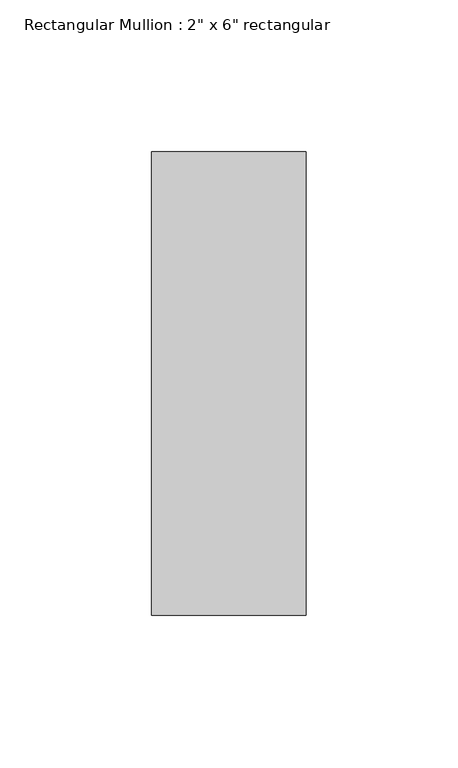
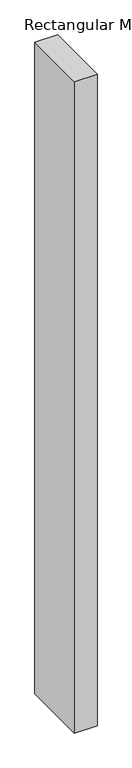
"""IFC4 building model written with IfcOpenShell, lengths in millimetres: member geometry."""

from ifc_helpers import new_model, si_unit, frame, origin, place, context, project, spatial, polyline, outline, extrude, source, transform, mapped, element, save


def member_676be3d9(model_context):
    return source(origin(), model_context, "Body", "SweptSolid", [
        extrude(outline(polyline([(25.4, 76.2), (25.4, -76.2), (-25.4, -76.2), (-25.4, 76.2), (25.4, 76.2)])), frame((0.0, 0.0, -1539.24), z_axis=(0.0, 0.0, 1.0), x_axis=(1.0, 0.0, 0.0)), (0.0, 0.0, 1.0), 1539.24),
    ])


if __name__ == "__main__":
    model = new_model("IFC4")
    model_context = context("Model", 3, world=origin())
    ifc_project = project(units=[si_unit("LENGTHUNIT", "METRE", prefix="MILLI")], contexts=[model_context])
    site = spatial("IfcSite", under=ifc_project)
    building = spatial("IfcBuilding", under=site)
    placement = place(None, origin())
    member_shape = member_676be3d9(model_context)
    element("IfcMember", 1, ObjectType="Rectangular Mullion : 2\" x 6\" rectangular", at=placement, inside=building, context=model_context, shape_type="MappedRepresentation", body=[
        mapped(member_shape, transform((0.0, 0.0, 0.0), x_axis=(1.0, 0.0, 0.0), y_axis=(0.0, 1.0, 0.0), z_axis=(0.0, 0.0, 1.0))),
    ])
    save(model, "model.ifc")
